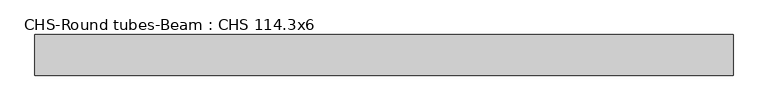
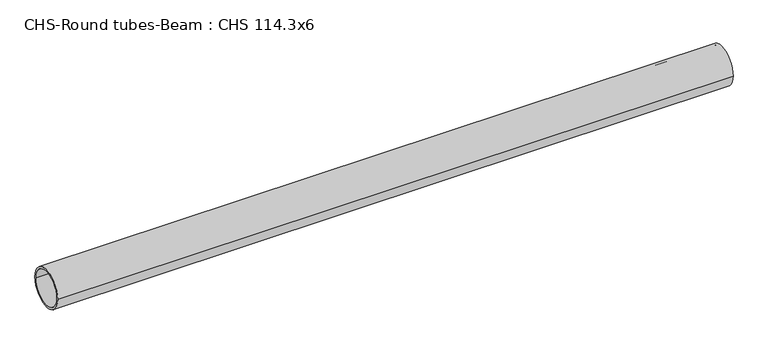
"""IFC4 building model written with IfcOpenShell, lengths in millimetres: beam geometry, CHS-Round tubes-Beam : CHS 114.3x6."""

from ifc_helpers import new_model, si_unit, point, frame, origin, origin_2d, place, context, project, spatial, circle_curve, trimmed, segment, composite_curve, outline, extrude, source, transform, mapped, element, save


def chs_round_tubes_beam_chs_114_3x6_e77c4dab(model_context):
    return source(origin(), model_context, "Body", "SweptSolid", [
        extrude(outline(composite_curve([segment(trimmed(circle_curve(origin_2d(), 57.15), [point((57.15, 0.0))], [point((-57.15, 0.0))], False, "CARTESIAN"), True, "CONTINUOUS"), segment(trimmed(circle_curve(origin_2d(), 57.15), [point((-57.15, 0.0))], [point((57.15, 0.0))], False, "CARTESIAN"), True, "CONTINUOUS")], self_intersect=False), holes=[composite_curve([segment(trimmed(circle_curve(origin_2d(), 51.15), [point((51.15, 0.0))], [point((-51.15, 0.0))], True, "CARTESIAN"), True, "CONTINUOUS"), segment(trimmed(circle_curve(origin_2d(), 51.15), [point((-51.15, 0.0))], [point((51.15, 0.0))], True, "CARTESIAN"), True, "CONTINUOUS")], self_intersect=False)]), frame((-935.5741946, 0.0, 0.0), z_axis=(1.0, 0.0, 0.0), x_axis=(0.0, 1.0, 0.0)), (0.0, 0.0, 1.0), 1965.3601186),
    ])


if __name__ == "__main__":
    model = new_model("IFC4")
    model_context = context("Model", 3, world=origin())
    ifc_project = project(units=[si_unit("LENGTHUNIT", "METRE", prefix="MILLI")], contexts=[model_context])
    site = spatial("IfcSite", under=ifc_project)
    building = spatial("IfcBuilding", under=site)
    placement = place(None, origin())
    chs_round_tubes_beam_chs_114_3x6_shape = chs_round_tubes_beam_chs_114_3x6_e77c4dab(model_context)
    element("IfcBeam", 1, ObjectType="CHS-Round tubes-Beam : CHS 114.3x6", at=placement, inside=building, context=model_context, shape_type="MappedRepresentation", body=[
        mapped(chs_round_tubes_beam_chs_114_3x6_shape, transform((0.0, 0.0, 0.0), x_axis=(1.0, 0.0, 0.0), y_axis=(0.0, 1.0, 0.0), z_axis=(0.0, 0.0, 1.0))),
    ])
    save(model, "model.ifc")
